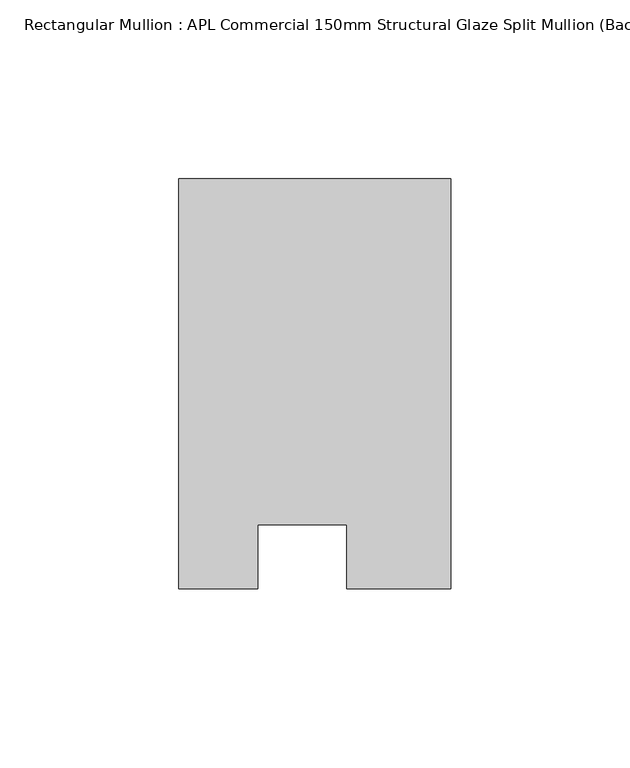
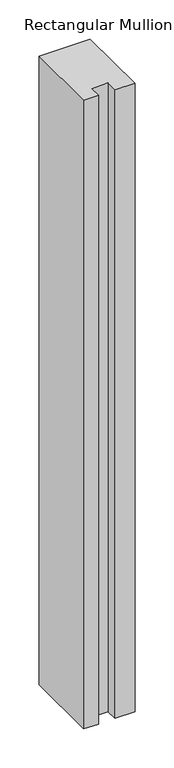
"""IFC4 building model written with IfcOpenShell, lengths in millimetres: member geometry, Rectangular Mullion : APL Commercial 150mm Structural Glaze Split Mullion (Back)."""

from ifc_helpers import new_model, si_unit, frame, origin, place, context, project, spatial, polyline, outline, extrude, source, transform, mapped, element, save


def rectangular_mullion_apl_commercial_150mm_structural_glaze_e72eb461(model_context):
    return source(origin(), model_context, "Body", "SweptSolid", [
        extrude(outline(polyline([(37.9999914, 129.5195626), (37.9999914, 14.9960123), (9.0, 14.9960123), (9.0, 32.7960123), (-16.0, 32.7960123), (-16.0, 14.9960123), (-37.9999896, 14.9960123), (-37.9999896, 129.5195626), (37.9999914, 129.5195626)])), frame((0.0, 0.0, -983.8021523), z_axis=(0.0, 0.0, 1.0), x_axis=(1.0, 0.0, 0.0)), (0.0, 0.0, 1.0), 983.8021523),
    ])


if __name__ == "__main__":
    model = new_model("IFC4")
    model_context = context("Model", 3, world=origin())
    ifc_project = project(units=[si_unit("LENGTHUNIT", "METRE", prefix="MILLI")], contexts=[model_context])
    site = spatial("IfcSite", under=ifc_project)
    building = spatial("IfcBuilding", under=site)
    placement = place(None, origin())
    rectangular_mullion_apl_commercial_150mm_structural_glaze_shape = rectangular_mullion_apl_commercial_150mm_structural_glaze_e72eb461(model_context)
    element("IfcMember", 1, ObjectType="Rectangular Mullion : APL Commercial 150mm Structural Glaze Split Mullion (Back)", at=placement, inside=building, context=model_context, shape_type="MappedRepresentation", body=[
        mapped(rectangular_mullion_apl_commercial_150mm_structural_glaze_shape, transform((0.0, 0.0, 0.0), x_axis=(1.0, 0.0, 0.0), y_axis=(0.0, 1.0, 0.0), z_axis=(0.0, 0.0, 1.0))),
    ])
    save(model, "model.ifc")
